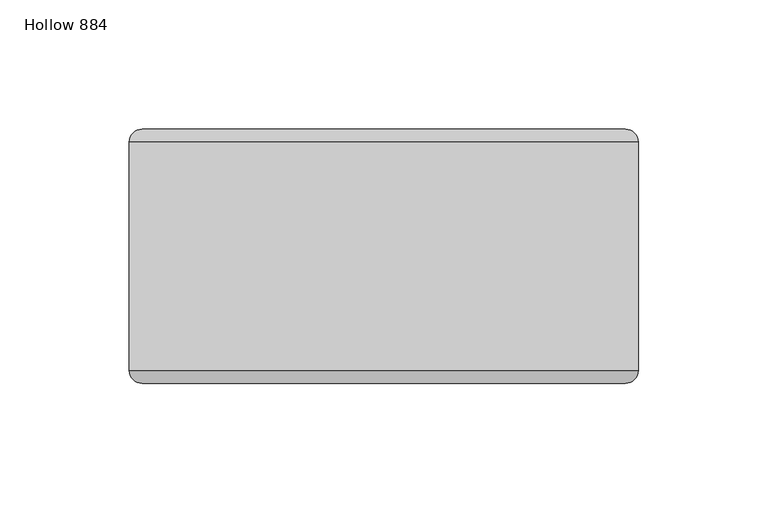
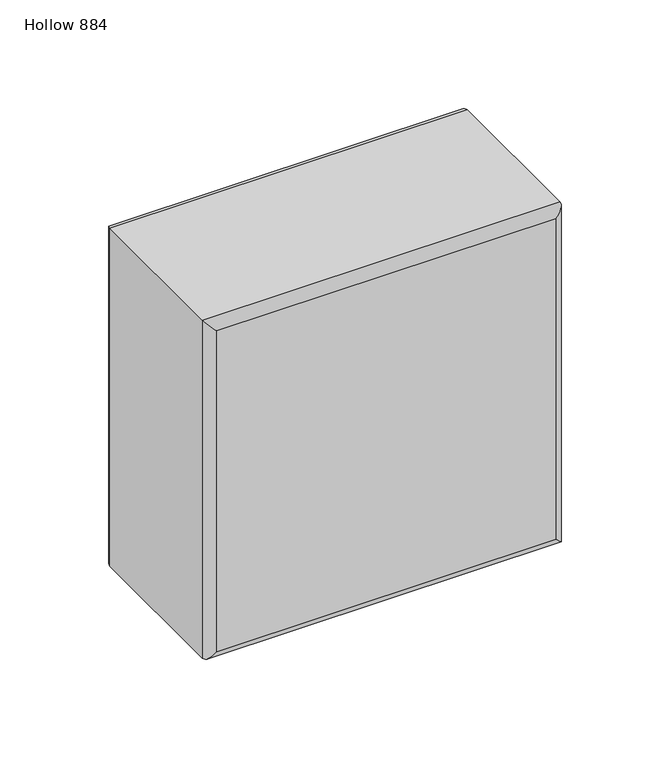
"""IFC4 building model written with IfcOpenShell, lengths in millimetres: plate geometry, Hollow 884."""

from ifc_helpers import new_model, si_unit, frame, origin, place, context, project, spatial, ellipse_curve, source, transform, mapped, element, save
from ifc_brep_helpers import plane_surface, cylinder_surface, advanced_brep


def hollow_884_931fca15(model_context):
    return source(origin(), model_context, "Body", "AdvancedBrep", [
        advanced_brep(
        [(-101.5999998, -44.2, 197.0), (95.4000002, -44.2, 197.0), (95.4000002, 44.2, 197.0), (-101.5999998, 44.2, 197.0), (95.4000002, -44.2, 0.0), (-101.5999998, -44.2, 0.0), (-101.5999998, 44.2, 0.0), (95.4000002, 44.2, 0.0), (-96.5999998, -49.2, 5.0), (90.4000002, -49.2, 5.0), (90.4000002, -49.2, 192.0), (-96.5999998, -49.2, 192.0), (90.4000002, 49.2, 5.0), (-96.5999998, 49.2, 5.0), (-96.5999998, 49.2, 192.0), (90.4000002, 49.2, 192.0)],
        [
            (0, 1),
            (1, 2),
            (2, 3),
            (3, 0),
            (4, 5),
            (5, 6),
            (6, 7),
            (7, 4),
            (8, 9),
            (9, 10),
            (10, 11),
            (11, 8),
            (1, 4),
            (7, 2),
            (12, 13),
            (13, 14),
            (14, 15),
            (15, 12),
            (5, 0),
            (3, 6),
            (4, 9, ellipse_curve(frame((90.4000002, -44.2, 5.0), z_axis=(-0.7071067811865475, 0.0, -0.7071067811865475), x_axis=(0.7071067811865476, 0.0, -0.7071067811865474)), 7.0710678, 5.0)),
            (8, 5, ellipse_curve(frame((-96.5999998, -44.2, 5.0), z_axis=(0.7071067811865475, 0.0, -0.7071067811865475), x_axis=(0.7071067811865476, 0.0, 0.7071067811865474)), 7.0710678, 5.0)),
            (1, 10, ellipse_curve(frame((90.4000002, -44.2, 192.0), z_axis=(0.7071067811865475, 0.0, -0.7071067811865475), x_axis=(0.7071067811865474, 0.0, 0.7071067811865476)), 7.0710678, 5.0)),
            (0, 11, ellipse_curve(frame((-96.5999998, -44.2, 192.0), z_axis=(0.7071067811865475, 0.0, 0.7071067811865475), x_axis=(-0.7071067811865476, 0.0, 0.7071067811865474)), 7.0710678, 5.0)),
            (12, 7, ellipse_curve(frame((90.4000002, 44.2, 5.0), z_axis=(-0.7071067811865475, 0.0, -0.7071067811865475), x_axis=(0.7071067811865476, 0.0, -0.7071067811865474)), 7.0710678, 5.0)),
            (6, 13, ellipse_curve(frame((-96.5999998, 44.2, 5.0), z_axis=(0.7071067811865475, 0.0, -0.7071067811865475), x_axis=(0.7071067811865476, 0.0, 0.7071067811865474)), 7.0710678, 5.0)),
            (15, 2, ellipse_curve(frame((90.4000002, 44.2, 192.0), z_axis=(0.7071067811865475, 0.0, -0.7071067811865475), x_axis=(0.7071067811865474, 0.0, 0.7071067811865476)), 7.0710678, 5.0)),
            (14, 3, ellipse_curve(frame((-96.5999998, 44.2, 192.0), z_axis=(0.7071067811865475, 0.0, 0.7071067811865475), x_axis=(-0.7071067811865476, 0.0, 0.7071067811865474)), 7.0710678, 5.0)),
        ],
        [
            plane_surface(frame((-101.5999998, -49.2, 197.0), z_axis=(0.0, 0.0, 1.0), x_axis=(1.0, 0.0, 0.0))),
            plane_surface(frame((-101.5999998, -49.2, 0.0), z_axis=(0.0, 0.0, -1.0), x_axis=(-1.0, 0.0, 0.0))),
            plane_surface(frame((-101.5999998, -49.2, 197.0), z_axis=(0.0, -1.0, 0.0), x_axis=(0.0, 0.0, -1.0))),
            plane_surface(frame((95.4000002, -49.2, 197.0), z_axis=(1.0, 0.0, 0.0), x_axis=(0.0, 0.0, -1.0))),
            plane_surface(frame((95.4000002, 49.2, 197.0), z_axis=(0.0, 1.0, 0.0), x_axis=(0.0, 0.0, -1.0))),
            plane_surface(frame((-101.5999998, 49.2, 197.0), z_axis=(-1.0, 0.0, 0.0), x_axis=(0.0, 0.0, -1.0))),
            cylinder_surface(frame((-101.5999998, -44.2, 5.0), z_axis=(1.0, 0.0, 0.0), x_axis=(0.0, 0.0, -1.0)), 5.0),
            cylinder_surface(frame((90.4000002, -44.2, 0.0), z_axis=(0.0, 0.0, 1.0), x_axis=(1.0, 0.0, 0.0)), 5.0),
            cylinder_surface(frame((95.4000002, -44.2, 192.0), z_axis=(-1.0, 0.0, 0.0), x_axis=(0.0, 0.0, 1.0)), 5.0),
            cylinder_surface(frame((-96.5999998, -44.2, 197.0), z_axis=(0.0, 0.0, -1.0), x_axis=(-1.0, 0.0, 0.0)), 5.0),
            cylinder_surface(frame((-101.5999998, 44.2, 5.0), z_axis=(1.0, 0.0, 0.0), x_axis=(0.0, 0.0, -1.0)), 5.0),
            cylinder_surface(frame((90.4000002, 44.2, 0.0), z_axis=(0.0, 0.0, 1.0), x_axis=(1.0, 0.0, 0.0)), 5.0),
            cylinder_surface(frame((95.4000002, 44.2, 192.0), z_axis=(-1.0, 0.0, 0.0), x_axis=(0.0, 0.0, 1.0)), 5.0),
            cylinder_surface(frame((-96.5999998, 44.2, 197.0), z_axis=(0.0, 0.0, -1.0), x_axis=(-1.0, 0.0, 0.0)), 5.0),
        ],
        [
            (0, [[1, 2, 3, 4]]),
            (1, [[5, 6, 7, 8]]),
            (2, [[9, 10, 11, 12]]),
            (3, [[13, -8, 14, -2]]),
            (4, [[15, 16, 17, 18]]),
            (5, [[19, -4, 20, -6]]),
            (6, [[21, -9, 22, -5]]),
            (7, [[-21, -13, 23, -10]]),
            (8, [[-23, -1, 24, -11]]),
            (9, [[-22, -12, -24, -19]]),
            (10, [[25, -7, 26, -15]]),
            (11, [[-25, -18, 27, -14]]),
            (12, [[-27, -17, 28, -3]]),
            (13, [[-26, -20, -28, -16]]),
        ],
    ),
    ])


if __name__ == "__main__":
    model = new_model("IFC4")
    model_context = context("Model", 3, world=origin())
    ifc_project = project(units=[si_unit("LENGTHUNIT", "METRE", prefix="MILLI")], contexts=[model_context])
    site = spatial("IfcSite", under=ifc_project)
    building = spatial("IfcBuilding", under=site)
    placement = place(None, origin())
    hollow_884_shape = hollow_884_931fca15(model_context)
    element("IfcPlate", 1, ObjectType="Hollow 884", at=placement, inside=building, context=model_context, shape_type="MappedRepresentation", body=[
        mapped(hollow_884_shape, transform((0.0, 0.0, 0.0), x_axis=(1.0, 0.0, 0.0), y_axis=(0.0, 1.0, 0.0), z_axis=(0.0, 0.0, 1.0))),
    ])
    save(model, "model.ifc")
